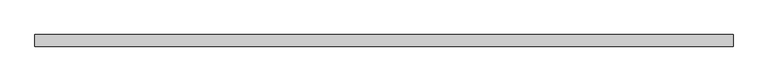
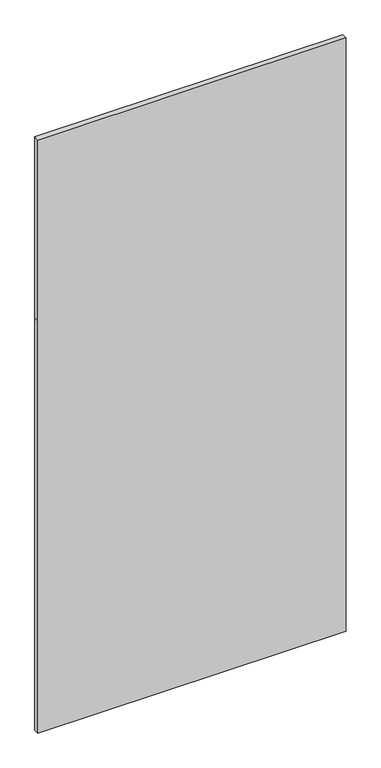
"""IFC4 building model written with IfcOpenShell, lengths in millimetres: plate geometry."""

from ifc_helpers import new_model, si_unit, frame, origin, place, context, project, spatial, polyline, outline, extrude, source, transform, mapped, element, save


def plate_83d8d891(model_context):
    return source(origin(), model_context, "Body", "SweptSolid", [
        extrude(outline(polyline([(0.0, -725.0), (0.0, 725.0), (2050.0, 725.0), (2950.0, 725.0), (2950.0, -725.0), (2050.0, -725.0), (0.0, -725.0)])), frame((0.0, -49.5, 0.0), z_axis=(0.0, 1.0, 0.0), x_axis=(0.0, 0.0, 1.0)), (0.0, 0.0, 1.0), 25.0),
    ])


if __name__ == "__main__":
    model = new_model("IFC4")
    model_context = context("Model", 3, world=origin())
    ifc_project = project(units=[si_unit("LENGTHUNIT", "METRE", prefix="MILLI")], contexts=[model_context])
    site = spatial("IfcSite", under=ifc_project)
    building = spatial("IfcBuilding", under=site)
    placement = place(None, origin())
    plate_shape = plate_83d8d891(model_context)
    element("IfcPlate", 1, at=placement, inside=building, context=model_context, shape_type="MappedRepresentation", body=[
        mapped(plate_shape, transform((0.0, 0.0, 0.0), x_axis=(1.0, 0.0, 0.0), y_axis=(0.0, 1.0, 0.0), z_axis=(0.0, 0.0, 1.0))),
    ])
    save(model, "model.ifc")
